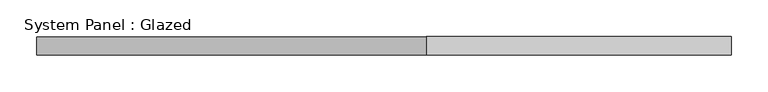
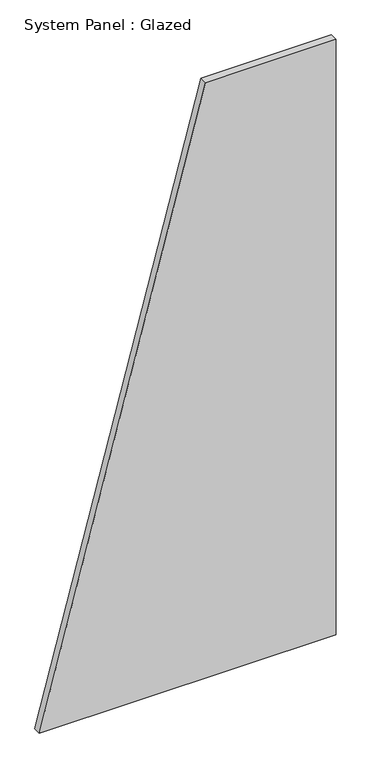
"""IFC4 building model written with IfcOpenShell, lengths in millimetres: plate geometry, System Panel : Glazed."""

from ifc_helpers import new_model, si_unit, frame, origin, place, context, project, spatial, polyline, outline, extrude, source, transform, mapped, element, save


def system_panel_glazed_c4b6b547(model_context):
    return source(origin(), model_context, "Body", "SweptSolid", [
        extrude(outline(polyline([(0.0, -471.4285716), (0.0, 471.4285716), (2000.0, 471.4285716), (2000.0, 57.142857), (0.0, -471.4285716)])), frame((0.0, 24.5, 0.0), z_axis=(0.0, 1.0, 0.0), x_axis=(0.0, 0.0, 1.0)), (0.0, 0.0, 1.0), 25.0),
    ])


if __name__ == "__main__":
    model = new_model("IFC4")
    model_context = context("Model", 3, world=origin())
    ifc_project = project(units=[si_unit("LENGTHUNIT", "METRE", prefix="MILLI")], contexts=[model_context])
    site = spatial("IfcSite", under=ifc_project)
    building = spatial("IfcBuilding", under=site)
    placement = place(None, origin())
    system_panel_glazed_shape = system_panel_glazed_c4b6b547(model_context)
    element("IfcPlate", 1, ObjectType="System Panel : Glazed", at=placement, inside=building, context=model_context, shape_type="MappedRepresentation", body=[
        mapped(system_panel_glazed_shape, transform((0.0, 0.0, 0.0), x_axis=(1.0, 0.0, 0.0), y_axis=(0.0, 1.0, 0.0), z_axis=(0.0, 0.0, 1.0))),
    ])
    save(model, "model.ifc")
